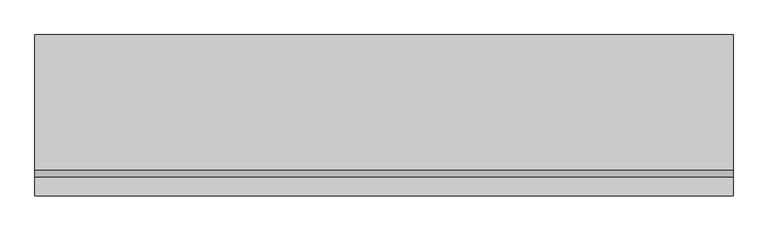
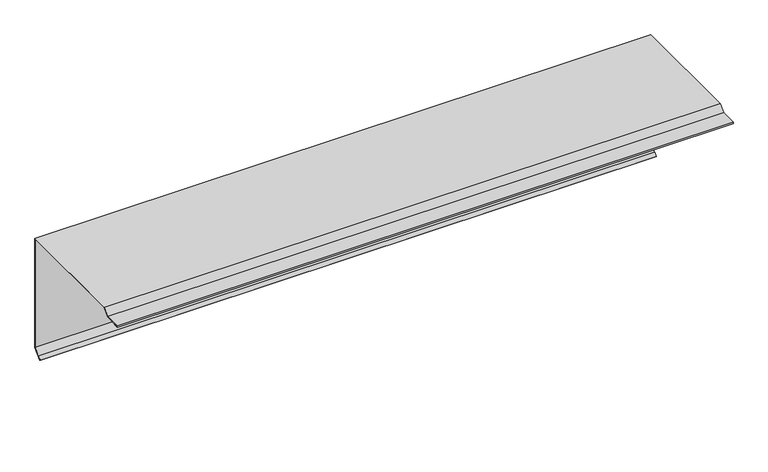
"""IFC4 building model written with IfcOpenShell, lengths in millimetres: proxy geometry."""

from ifc_helpers import new_model, si_unit, origin, place, context, project, spatial, faceted_brep, source, transform, mapped, element, save


def generic_models_1f615df6(model_context):
    return source(origin(), model_context, "Body", "Brep", [
        faceted_brep([(0.0, -300.0, 8.921814), (0.0, -300.0, 5.921814), (1500.0, -300.0, 5.921814), (1500.0, -300.0, 8.921814), (0.0, -260.0, 8.921814), (1500.0, -260.0, 8.921814), (0.0, -245.1507576, 23.7710564), (1500.0, -245.1507576, 23.7710564), (0.0, 47.0, 23.7710564), (1500.0, 47.0, 23.7710564), (0.0, 47.0, -256.2289436), (0.0, 47.0, 0.0), (1500.0, 47.0, 0.0), (1500.0, 47.0, -256.2289436), (0.0, 25.7867966, -277.442147), (1500.0, 25.7867966, -277.442147), (0.0, 23.6654762, -275.3208267), (1500.0, 23.6654762, -275.3208267), (0.0, 30.736544, -268.2497589), (1500.0, 30.736544, -268.2497589), (0.0, 31.4436508, -268.9568657), (1500.0, 31.4436508, -268.9568657), (0.0, 25.0796898, -275.3208267), (1500.0, 25.0796898, -275.3208267), (0.0, 25.7867966, -276.0279335), (1500.0, 25.7867966, -276.0279335), (0.0, 46.0, -255.81473), (1500.0, 46.0, -255.81473), (0.0, 46.0, 0.0), (1500.0, 46.0, 0.0), (1500.0, 46.0, 22.7710564), (0.0, 46.0, 22.7710564), (0.0, -244.736544, 22.7710564), (1500.0, -244.736544, 22.7710564), (0.0, -259.5857864, 7.921814), (1500.0, -259.5857864, 7.921814), (0.0, -299.0, 7.921814), (1500.0, -299.0, 7.921814), (0.0, -299.0, 6.921814), (1500.0, -299.0, 6.921814), (0.0, -290.0, 6.921814), (1500.0, -290.0, 6.921814), (0.0, -290.0, 5.921814), (1500.0, -290.0, 5.921814)], [[[0, 1, 2, 3]], [[4, 0, 3, 5]], [[6, 4, 5, 7]], [[8, 6, 7, 9]], [[10, 11, 8, 9, 12, 13]], [[14, 10, 13, 15]], [[16, 14, 15, 17]], [[18, 16, 17, 19]], [[20, 18, 19, 21]], [[22, 20, 21, 23]], [[24, 22, 23, 25]], [[26, 24, 25, 27]], [[28, 26, 27, 29, 30, 31]], [[32, 31, 30, 33]], [[34, 32, 33, 35]], [[36, 34, 35, 37]], [[38, 36, 37, 39]], [[40, 38, 39, 41]], [[42, 40, 41, 43]], [[1, 42, 43, 2]], [[28, 11, 10, 14, 16, 18, 20, 22, 24, 26]], [[11, 28, 31, 32, 34, 36, 38, 40, 42, 1, 0, 4, 6, 8]], [[12, 29, 27, 25, 23, 21, 19, 17, 15, 13]], [[29, 12, 9, 7, 5, 3, 2, 43, 41, 39, 37, 35, 33, 30]]]),
    ])


if __name__ == "__main__":
    model = new_model("IFC4")
    model_context = context("Model", 3, world=origin())
    ifc_project = project(units=[si_unit("LENGTHUNIT", "METRE", prefix="MILLI")], contexts=[model_context])
    site = spatial("IfcSite", under=ifc_project)
    building = spatial("IfcBuilding", under=site)
    placement = place(None, origin())
    generic_models_shape = generic_models_1f615df6(model_context)
    element("IfcBuildingElementProxy", 1, Name="Generic Models", at=placement, inside=building, context=model_context, shape_type="MappedRepresentation", body=[
        mapped(generic_models_shape, transform((0.0, 0.0, 0.0), x_axis=(1.0, 0.0, 0.0), y_axis=(0.0, 1.0, 0.0), z_axis=(0.0, 0.0, 1.0))),
    ])
    save(model, "model.ifc")
